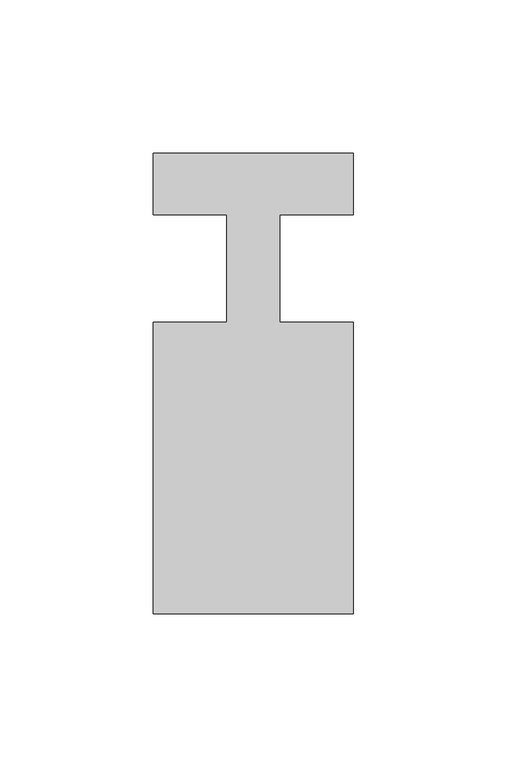
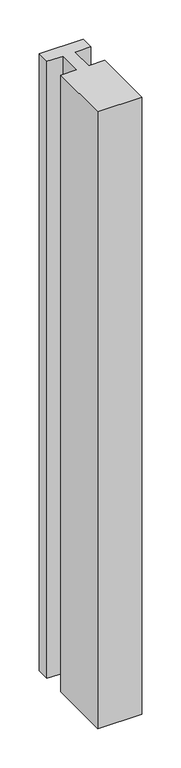
"""IFC4 building model written with IfcOpenShell, lengths in millimetres: member geometry."""

from ifc_helpers import new_model, si_unit, frame, origin, place, context, project, spatial, polyline, outline, extrude, source, transform, mapped, element, save


def member_9b1166fb(model_context):
    return source(origin(), model_context, "Body", "SweptSolid", [
        extrude(outline(polyline([(0.0, 37.0), (0.0, 17.0), (-23.8125, 17.0), (-23.8125, -18.0), (0.0, -18.0), (0.0, -113.0), (-65.0, -113.0), (-65.0, -18.0), (-41.1875, -18.0), (-41.1875, 17.0), (-65.0, 17.0), (-65.0, 37.0), (0.0, 37.0)])), frame((0.0, 0.0, -962.9107143), z_axis=(0.0, 0.0, 1.0), x_axis=(1.0, 0.0, 0.0)), (0.0, 0.0, 1.0), 962.9107143),
    ])


if __name__ == "__main__":
    model = new_model("IFC4")
    model_context = context("Model", 3, world=origin())
    ifc_project = project(units=[si_unit("LENGTHUNIT", "METRE", prefix="MILLI")], contexts=[model_context])
    site = spatial("IfcSite", under=ifc_project)
    building = spatial("IfcBuilding", under=site)
    placement = place(None, origin())
    member_shape = member_9b1166fb(model_context)
    element("IfcMember", 1, at=placement, inside=building, context=model_context, shape_type="MappedRepresentation", body=[
        mapped(member_shape, transform((0.0, 0.0, 0.0), x_axis=(1.0, 0.0, 0.0), y_axis=(0.0, 1.0, 0.0), z_axis=(0.0, 0.0, 1.0))),
    ])
    save(model, "model.ifc")
